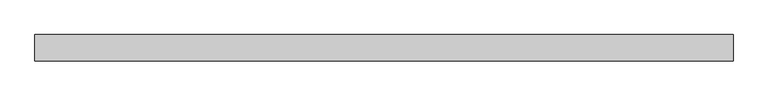
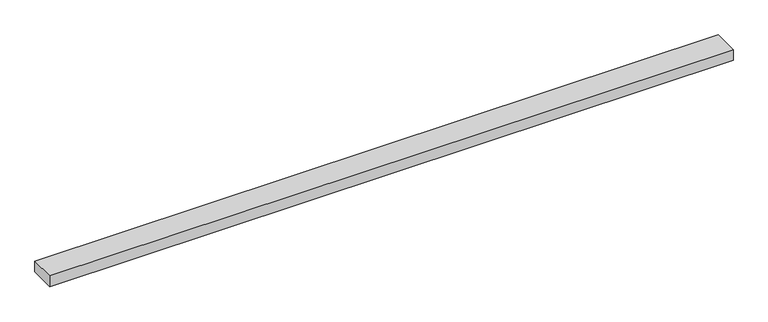
"""IFC4 building model written with IfcOpenShell, lengths in millimetres: beam geometry."""

from ifc_helpers import new_model, si_unit, frame, origin, place, context, project, spatial, polyline, outline, extrude, source, transform, mapped, element, save


def beam_48ed35c6(model_context):
    return source(origin(), model_context, "Body", "SweptSolid", [
        extrude(outline(polyline([(691.1728678, 25.0), (691.1728678, -25.0), (-636.3153746, -25.0), (-636.3153746, 25.0), (691.1728678, 25.0)])), frame((0.0, 0.0, -11.0), z_axis=(0.0, 0.0, 1.0), x_axis=(1.0, 0.0, 0.0)), (0.0, 0.0, 1.0), 22.0),
    ])


if __name__ == "__main__":
    model = new_model("IFC4")
    model_context = context("Model", 3, world=origin())
    ifc_project = project(units=[si_unit("LENGTHUNIT", "METRE", prefix="MILLI")], contexts=[model_context])
    site = spatial("IfcSite", under=ifc_project)
    building = spatial("IfcBuilding", under=site)
    placement = place(None, origin())
    beam_shape = beam_48ed35c6(model_context)
    element("IfcBeam", 1, at=placement, inside=building, context=model_context, shape_type="MappedRepresentation", body=[
        mapped(beam_shape, transform((0.0, 0.0, 0.0), x_axis=(1.0, 0.0, 0.0), y_axis=(0.0, 1.0, 0.0), z_axis=(0.0, 0.0, 1.0))),
    ])
    save(model, "model.ifc")
